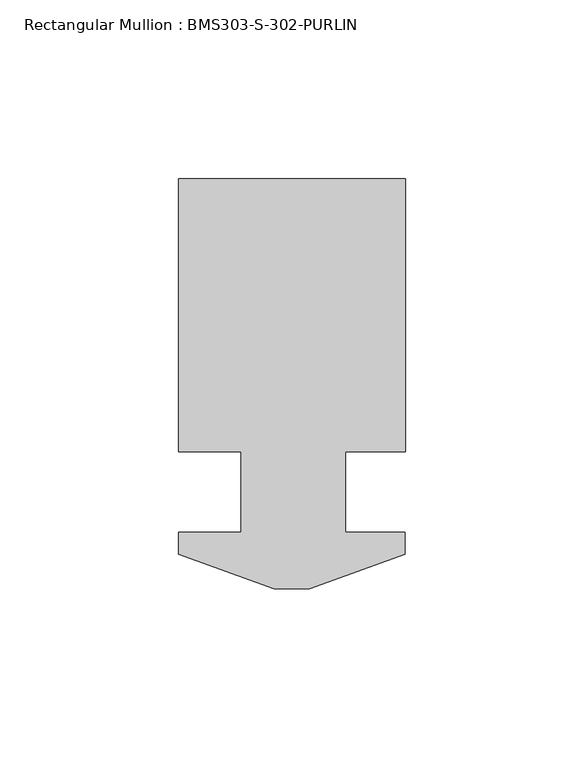
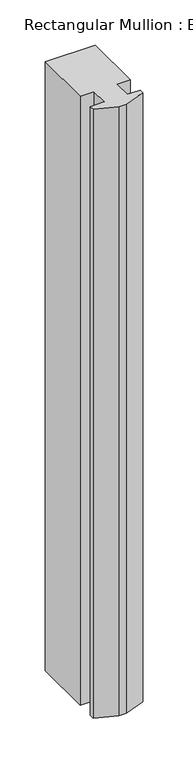
"""IFC4 building model written with IfcOpenShell, lengths in millimetres: member geometry, Rectangular Mullion : BMS303-S-302-PURLIN."""

from ifc_helpers import new_model, si_unit, frame, origin, place, context, project, spatial, polyline, outline, extrude, source, transform, mapped, element, save


def rectangular_mullion_bms303_s_302_purlin_9a062029(model_context):
    return source(origin(), model_context, "Body", "SweptSolid", [
        extrude(outline(polyline([(-31.75, 138.839575), (31.75, 138.839575), (31.75, 62.309375), (15.065769, 62.309375), (15.065769, 39.830375), (31.7249979, 39.830375), (31.7249979, 33.734375), (4.9272021, 23.980775), (-4.9772064, 23.980775), (-31.7750021, 33.734375), (-31.7750021, 39.830375), (-14.2875, 39.830375), (-14.2875, 62.309375), (-31.75, 62.309375), (-31.75, 138.839575)])), frame((0.0, 0.0, -819.15), z_axis=(0.0, 0.0, 1.0), x_axis=(1.0, 0.0, 0.0)), (0.0, 0.0, 1.0), 819.15),
    ])


if __name__ == "__main__":
    model = new_model("IFC4")
    model_context = context("Model", 3, world=origin())
    ifc_project = project(units=[si_unit("LENGTHUNIT", "METRE", prefix="MILLI")], contexts=[model_context])
    site = spatial("IfcSite", under=ifc_project)
    building = spatial("IfcBuilding", under=site)
    placement = place(None, origin())
    rectangular_mullion_bms303_s_302_purlin_shape = rectangular_mullion_bms303_s_302_purlin_9a062029(model_context)
    element("IfcMember", 1, ObjectType="Rectangular Mullion : BMS303-S-302-PURLIN", at=placement, inside=building, context=model_context, shape_type="MappedRepresentation", body=[
        mapped(rectangular_mullion_bms303_s_302_purlin_shape, transform((0.0, 0.0, 0.0), x_axis=(1.0, 0.0, 0.0), y_axis=(0.0, 1.0, 0.0), z_axis=(0.0, 0.0, 1.0))),
    ])
    save(model, "model.ifc")
